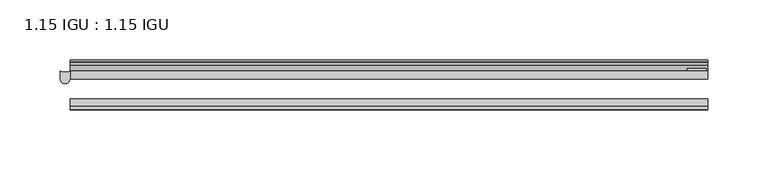
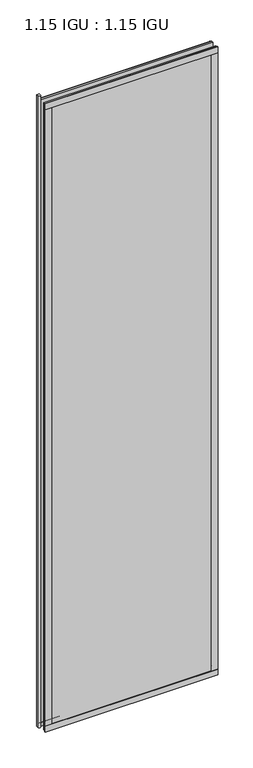
"""IFC4 building model written with IfcOpenShell, lengths in millimetres: plate geometry, 1.15 IGU : 1.15 IGU."""

import ifcopenshell
import ifcopenshell.guid

model = None  # the IFC model being written
_history = None  # IfcOwnerHistory: only IFC2X3 demands one
_inside = {}  # id of a spatial element -> (the spatial element, [elements in it])
_under = {}  # id of a project, library or spatial element -> (it, [spatial elements below it])
_declared = {}  # id of a project -> (the project, [libraries it declares])
_typed = {}  # id of a type object -> (the type object, [elements of that type])
_made_of = {}  # id of a material, layer set ... -> (it, [elements and type objects made of it])


def new_model(schema):
    """Start an empty IFC model of exactly this schema.

    Asked for "IFC4X3", IfcOpenShell would pick the latest addendum, in which some entities
    have other attributes; the version numbers below select the first issue.
    IFC2X3 requires an IfcOwnerHistory on every rooted entity: one is made here for all.
    """
    global model, _history
    if schema == "IFC4X3":
        model = ifcopenshell.file(schema_version=(4, 3, 0, 0))
    else:
        model = ifcopenshell.file(schema=schema)
    _inside.clear()
    _under.clear()
    _declared.clear()
    _typed.clear()
    _made_of.clear()
    _history = None
    if model.schema == "IFC2X3":
        org = make("IfcOrganization", Name="unknown")
        user = make(
            "IfcPersonAndOrganization",
            ThePerson=make("IfcPerson", FamilyName="unknown"),
            TheOrganization=org,
        )
        app = make(
            "IfcApplication",
            ApplicationDeveloper=org,
            Version="unknown",
            ApplicationFullName="unknown",
            ApplicationIdentifier="unknown",
        )
        _history = make(
            "IfcOwnerHistory",
            OwningUser=user,
            OwningApplication=app,
            ChangeAction="ADDED",
            CreationDate=0,
        )
    return model


def make(cls, **values):
    """One entity of the class cls with the attributes given. An attribute that is None is left unset."""
    return model.create_entity(
        cls, **{name: value for name, value in values.items() if value is not None}
    )


def rooted(cls, **values):
    """An entity with a GlobalId (a new one), such as an element, a storey or a relation."""
    return make(cls, GlobalId=ifcopenshell.guid.new(), OwnerHistory=_history, **values)


def si_unit(unit_type, name, prefix=None):
    """IfcSIUnit, for example si_unit("LENGTHUNIT", "METRE", prefix="MILLI")."""
    return make("IfcSIUnit", UnitType=unit_type, Prefix=prefix, Name=name)


def assignment(units):
    """IfcUnitAssignment: the units of a project."""
    return None if units is None else make("IfcUnitAssignment", Units=units)


def point(xyz):
    """IfcCartesianPoint."""
    return None if xyz is None else make("IfcCartesianPoint", Coordinates=xyz)


def direction(xyz):
    """IfcDirection."""
    return None if xyz is None else make("IfcDirection", DirectionRatios=xyz)


def frame(location, z_axis=None, x_axis=None):
    """IfcAxis2Placement3D, a coordinate frame: its origin and axes. An axis left out is left unset."""
    return make(
        "IfcAxis2Placement3D",
        Location=point(location),
        Axis=direction(z_axis),
        RefDirection=direction(x_axis),
    )


def frame_2d(location, x_axis=None):
    """IfcAxis2Placement2D, a coordinate frame in the plane: its origin and x axis."""
    return make(
        "IfcAxis2Placement2D", Location=point(location), RefDirection=direction(x_axis)
    )


def origin():
    """The frame at (0, 0, 0) with its axes left unset."""
    return frame((0.0, 0.0, 0.0))


def place(relative_to, where):
    """IfcLocalPlacement: puts the frame where relative to a parent placement (None: the world)."""
    return make(
        "IfcLocalPlacement", PlacementRelTo=relative_to, RelativePlacement=where
    )


def context(
    kind, dimensions, precision=None, world=None, true_north=None, identifier=None
):
    """IfcGeometricRepresentationContext, for example the 3D "Model" context."""
    return make(
        "IfcGeometricRepresentationContext",
        ContextIdentifier=identifier,
        ContextType=kind,
        CoordinateSpaceDimension=dimensions,
        Precision=precision,
        WorldCoordinateSystem=world,
        TrueNorth=true_north,
    )


def project(units=None, contexts=None):
    """IfcProject with its units and contexts."""
    return rooted(
        "IfcProject",
        Name="project",
        RepresentationContexts=contexts,
        UnitsInContext=assignment(units),
    )


def spatial(cls, under=None, at=None, **own):
    """A site, building, storey or space (cls), placed at a placement, below another one or the project."""
    s = rooted(cls, ObjectPlacement=at, **own)
    if under is not None:
        _under.setdefault(under.id(), (under, []))[1].append(s)
    return s


def polyline(points):
    """IfcPolyline through the points."""
    return make("IfcPolyline", Points=[point(p) for p in points])


def circle_curve(where, radius):
    """IfcCircle in the frame where."""
    return make("IfcCircle", Position=where, Radius=radius)


def ellipse_curve(where, semi_axis1, semi_axis2):
    """IfcEllipse in the frame where."""
    return make(
        "IfcEllipse", Position=where, SemiAxis1=semi_axis1, SemiAxis2=semi_axis2
    )


def trimmed(basis, trim1, trim2, sense, master):
    """IfcTrimmedCurve: the piece of a basis curve between two trims."""
    return make(
        "IfcTrimmedCurve",
        BasisCurve=basis,
        Trim1=trim1,
        Trim2=trim2,
        SenseAgreement=sense,
        MasterRepresentation=master,
    )


def segment(curve, same_sense, transition):
    """IfcCompositeCurveSegment."""
    return make(
        "IfcCompositeCurveSegment",
        Transition=transition,
        SameSense=same_sense,
        ParentCurve=curve,
    )


def composite_curve(segments, self_intersect=None):
    """IfcCompositeCurve: segments joined end to end."""
    return make("IfcCompositeCurve", Segments=segments, SelfIntersect=self_intersect)


def outline(outer, holes=None, kind="AREA"):
    """IfcArbitraryClosedProfileDef: a profile drawn as a closed curve; with holes, ...WithVoids."""
    if holes is None:
        return make("IfcArbitraryClosedProfileDef", ProfileType=kind, OuterCurve=outer)
    return make(
        "IfcArbitraryProfileDefWithVoids",
        ProfileType=kind,
        OuterCurve=outer,
        InnerCurves=holes,
    )


def extrude(swept, where, along, depth):
    """IfcExtrudedAreaSolid: the profile swept, set in the frame where, extruded along a direction by depth."""
    return make(
        "IfcExtrudedAreaSolid",
        SweptArea=swept,
        Position=where,
        ExtrudedDirection=direction(along),
        Depth=depth,
    )


def shape(context_of_items, identifier, shape_type, items):
    """IfcShapeRepresentation: the items that make up one representation, for example the "Body"."""
    return make(
        "IfcShapeRepresentation",
        ContextOfItems=context_of_items,
        RepresentationIdentifier=identifier,
        RepresentationType=shape_type,
        Items=items,
    )


def source(mapping_origin, context_of_items, identifier, shape_type, items):
    """IfcRepresentationMap: a shape defined once, which mapped items show again and again."""
    return make(
        "IfcRepresentationMap",
        MappingOrigin=mapping_origin,
        MappedRepresentation=shape(context_of_items, identifier, shape_type, items),
    )


def transform(
    local_origin,
    x_axis=None,
    y_axis=None,
    z_axis=None,
    scale=None,
    scale2=None,
    scale3=None,
    uniform=True,
):
    """IfcCartesianTransformationOperator3D, or its non-uniform kind. x_axis, y_axis, z_axis: its Axis1, 2, 3."""
    if uniform:
        return make(
            "IfcCartesianTransformationOperator3D",
            Axis1=direction(x_axis),
            Axis2=direction(y_axis),
            LocalOrigin=point(local_origin),
            Scale=scale,
            Axis3=direction(z_axis),
        )
    return make(
        "IfcCartesianTransformationOperator3DnonUniform",
        Axis1=direction(x_axis),
        Axis2=direction(y_axis),
        LocalOrigin=point(local_origin),
        Scale=scale,
        Axis3=direction(z_axis),
        Scale2=scale2,
        Scale3=scale3,
    )


def mapped(mapping_source, mapping_target):
    """IfcMappedItem: shows the shape of a source again, moved by a transform."""
    return make(
        "IfcMappedItem", MappingSource=mapping_source, MappingTarget=mapping_target
    )


def made_of(thing, what):
    """Note that an element or type object is made of a material, layer set ...; save() writes the relation."""
    if what is not None:
        _made_of.setdefault(what.id(), (what, []))[1].append(thing)
    return thing


def element(
    cls,
    number,
    at=None,
    inside=None,
    cuts=None,
    type_object=None,
    material=None,
    context=None,
    identifier="Body",
    shape_type=None,
    held_by="IfcProductDefinitionShape",
    body=None,
    shapes=None,
    **own,
):
    """One element of the class cls, such as IfcWall. Its Tag is "e" and its number.

    at: its placement. inside: the storey or other place that contains it. cuts: it is an
    opening in that element (IfcRelVoidsElement). A single representation is given by context,
    identifier, shape_type and body (its items); several are given by shapes. held_by: the class
    of the entity that holds the representations. save() writes the other relations.
    """
    e = rooted(cls, Tag="e%d" % number, ObjectPlacement=at, **own)
    if body is not None:
        shapes = [shape(context, identifier, shape_type, body)]
    if shapes is not None:
        e.Representation = make(held_by, Representations=shapes)
    if inside is not None:
        _inside.setdefault(inside.id(), (inside, []))[1].append(e)
    if cuts is not None:
        rooted(
            "IfcRelVoidsElement", RelatingBuildingElement=cuts, RelatedOpeningElement=e
        )
    if type_object is not None:
        _typed.setdefault(type_object.id(), (type_object, []))[1].append(e)
    return made_of(e, material)


def aggregate(whole, parts):
    """IfcRelAggregates: a whole, such as a stair, and the parts it consists of."""
    return rooted("IfcRelAggregates", RelatingObject=whole, RelatedObjects=parts)


def save(model, path):
    """Write the relations noted so far, then the file.

    IfcRelAggregates (storeys below a building ...), IfcRelContainedInSpatialStructure (elements
    in a storey), IfcRelDefinesByType, IfcRelAssociatesMaterial and IfcRelDeclares: one each for
    every whole, place, type object, material and project.
    """
    for whole, parts in _under.values():
        aggregate(whole, parts)
    for where, things in _inside.values():
        rooted(
            "IfcRelContainedInSpatialStructure",
            RelatedElements=things,
            RelatingStructure=where,
        )
    for kind, things in _typed.values():
        rooted("IfcRelDefinesByType", RelatedObjects=things, RelatingType=kind)
    for what, things in _made_of.values():
        rooted("IfcRelAssociatesMaterial", RelatedObjects=things, RelatingMaterial=what)
    for by, libraries in _declared.values():
        rooted("IfcRelDeclares", RelatingContext=by, RelatedDefinitions=libraries)
    model.write(path)


def plane_surface(at):
    """IfcPlane: the flat surface through the origin of the frame at, square to its z axis."""
    return make("IfcPlane", Position=at)


def revolved_surface(curve, axis_point, axis_direction):
    """IfcSurfaceOfRevolution: the curve turned about the line through axis_point along axis_direction."""
    return make(
        "IfcSurfaceOfRevolution",
        SweptCurve=make("IfcArbitraryOpenProfileDef", ProfileType="CURVE", Curve=curve),
        AxisPosition=make("IfcAxis1Placement", Location=point(axis_point), Axis=direction(axis_direction)),
    )


def extruded_surface(curve, direction_of_extrusion, depth):
    """IfcSurfaceOfLinearExtrusion: the curve pushed along a direction by depth."""
    return make(
        "IfcSurfaceOfLinearExtrusion",
        SweptCurve=make("IfcArbitraryOpenProfileDef", ProfileType="CURVE", Curve=curve),
        ExtrudedDirection=direction(direction_of_extrusion),
        Depth=depth,
    )


def advanced_brep(points, edges, surfaces, faces):
    """IfcAdvancedBrep: a solid bounded by faces that lie on surfaces and meet in shared edges.

    An edge is (start, end): straight between two places in points (the first is 0);
    or (start, end, curve); or (start, end, curve, False) where it runs against its curve.
    A face is (place in surfaces, loops), or (place, loops, False) where it looks against
    its surface's normal. A loop lists edges by number (the first is 1), with a minus sign
    where the edge is run from its end to its start. The first loop is the outer one.
    """
    corners = [point(p) for p in points]
    vertices = [make("IfcVertexPoint", VertexGeometry=c) for c in corners]
    made = []
    for start, end, *more in edges:
        made.append(
            make(
                "IfcEdgeCurve",
                EdgeStart=vertices[start],
                EdgeEnd=vertices[end],
                EdgeGeometry=more[0] if more else make("IfcPolyline", Points=[corners[start], corners[end]]),
                SameSense=more[1] if len(more) > 1 else True,
            )
        )
    hull = []
    for where, loops, *sense in faces:
        bounds = []
        for j, loop in enumerate(loops):
            ring = [make("IfcOrientedEdge", EdgeElement=made[abs(k) - 1], Orientation=k > 0) for k in loop]
            bounds.append(
                make(
                    "IfcFaceOuterBound" if j == 0 else "IfcFaceBound",
                    Bound=make("IfcEdgeLoop", EdgeList=ring),
                    Orientation=True,
                )
            )
        hull.append(make("IfcAdvancedFace", Bounds=bounds, FaceSurface=surfaces[where], SameSense=sense[0] if sense else True))
    return make("IfcAdvancedBrep", Outer=make("IfcClosedShell", CfsFaces=hull))


def plate_1_15_igu_1_15_igu_54924a7c(model_context):
    return source(origin(), model_context, "Body", "SolidModel", [
        extrude(outline(polyline([(265.11885, 0.0), (265.11885, -6.2992), (-265.11885, -6.2992), (-265.11885, 0.0), (265.11885, 0.0)])), frame((0.0, 0.0, -15.875), z_axis=(0.0, 0.0, 1.0), x_axis=(1.0, 0.0, 0.0)), (0.0, 0.0, 1.0), 2033.5830337),
        extrude(outline(polyline([(-265.11885, -23.1648), (265.11885, -23.1648), (265.11885, -29.464), (-265.11885, -29.464), (-265.11885, -23.1648)])), frame((0.0, 0.0, -15.875), z_axis=(0.0, 0.0, 1.0), x_axis=(1.0, 0.0, 0.0)), (0.0, 0.0, 1.0), 2033.5830337),
        advanced_brep(
        [(-273.3683213, -0.0025551, -15.875), (-265.11885, 0.0, -15.875), (-265.11885, -6.2992, -15.875), (-273.3683213, -6.2992, -15.875), (-273.3683213, -0.0025551, 2032.7956337), (-273.3683213, -6.2992, 2032.7956337), (-265.1243787, -6.2992, 2032.7956337), (-265.11885, 0.0, 2032.7956337)],
        [
            (0, 1, circle_curve(frame((-269.24635, 8.9239208, -15.875), z_axis=(0.0, 0.0, 1.0), x_axis=(1.0, 0.0, 0.0)), 9.8322235)),
            (1, 2),
            (2, 3, ellipse_curve(frame((-269.24635, -6.2992, -15.875), z_axis=(0.0, 0.0, -1.0), x_axis=(1.0, 0.0, 0.0)), 4.1219713, 4.1275)),
            (3, 0),
            (4, 5),
            (5, 6, ellipse_curve(frame((-269.24635, -6.2992, 2032.7956337), z_axis=(0.0, 0.0, 1.0), x_axis=(1.0, 0.0, 0.0)), 4.1219713, 4.1275)),
            (6, 7),
            (7, 4, circle_curve(frame((-269.24635, 8.9239208, 2032.7956337), z_axis=(0.0, 0.0, -1.0), x_axis=(1.0, 0.0, 0.0)), 9.8322235)),
            (1, 7),
            (6, 2),
            (3, 5),
            (4, 0),
        ],
        [
            plane_surface(frame((-277.81885, 0.0, -15.875), z_axis=(0.0, 0.0, -1.0), x_axis=(0.0, 1.0, 0.0))),
            plane_surface(frame((-277.81885, 0.0, 2032.7956337), z_axis=(0.0, 0.0, 1.0), x_axis=(0.0, 1.0, 0.0))),
            plane_surface(frame((-265.11885, 0.0, -15.875), z_axis=(1.0, 0.0, 0.0), x_axis=(0.0, 0.0, 1.0))),
            plane_surface(frame((-273.3683213, -6.2992, -15.875), z_axis=(-1.0, 0.0, 0.0), x_axis=(0.0, 0.0, 1.0))),
            revolved_surface(polyline([(-259.4141265, 8.9239208, 2032.7956337), (-259.4141265, 8.9239208, -15.875)]), (-269.24635, 8.9239208, -15.875), (0.0, 0.0, 1.0)),
            extruded_surface(trimmed(ellipse_curve(frame((-269.24635, -6.2992, 2032.7956337), z_axis=(0.0, 0.0, -1.0), x_axis=(1.0, 0.0, 0.0)), 4.1219713, 4.1275), [point((-265.1243787, -6.2992, 2032.7956337))], [point((-273.3683213, -6.2992, 2032.7956337))], True, "CARTESIAN"), (0.0, 0.0, -2048.6706337), 2048.6706337),
        ],
        [
            (0, [[1, 2, 3, 4]]),
            (1, [[5, 6, 7, 8]]),
            (2, [[-2, 9, -7, 10]]),
            (3, [[-4, 11, -5, 12]]),
            (4, [[-1, -12, -8, -9]]),
            (5, [[-3, -10, -6, -11]]),
        ],
    ),
        extrude(outline(polyline([(-265.11885, -31.75), (-265.11885, -29.464), (265.11885, -29.464), (265.11885, -31.75), (-265.11885, -31.75)])), frame((0.0, 0.0, -19.05), z_axis=(0.0, 0.0, 1.0), x_axis=(1.0, 0.0, 0.0)), (0.0, 0.0, 1.0), 19.05),
        extrude(outline(composite_curve([segment(trimmed(circle_curve(frame_2d((13.6593785, 32.4202472)), 31.3046461), [point((0.0, 4.2528503))], [point((9.3980339, 1.406995))], True, "CARTESIAN"), True, "CONTINUOUS"), segment(polyline([(9.3980339, 1.406995), (9.3980339, 0.0254), (6.35, 0.0254), (6.35, -5.1625788), (7.7309478, -5.3970663), (6.35, -8.0073788), (6.35, -11.8471127)]), True, "CONTINUOUS"), segment(trimmed(circle_curve(frame_2d((5.334, -11.8471127)), 1.016), [point((6.35, -11.8471127))], [point((4.6284878, -12.5782136))], False, "CARTESIAN"), True, "CONTINUOUS"), segment(trimmed(circle_curve(frame_2d((-23.3689302, -41.5910901)), 40.3187601), [point((4.6284878, -12.5782136))], [point((0.0, -8.735413))], True, "CARTESIAN"), True, "CONTINUOUS"), segment(polyline([(0.0, -8.735413), (0.0, 4.2528503)]), True, "CONTINUOUS")], self_intersect=False)), frame((-265.11885, 0.0, 0.0), z_axis=(1.0, 0.0, 0.0), x_axis=(0.0, 1.0, 0.0)), (0.0, 0.0, 1.0), 530.2377),
        extrude(outline(composite_curve([segment(trimmed(circle_curve(frame_2d((-23.3689302, 2041.8747237)), 40.3187601), [point((0.0, 2009.0190467))], [point((4.9746073, 2013.1998864))], True, "CARTESIAN"), True, "CONTINUOUS"), segment(trimmed(circle_curve(frame_2d((5.8674, 2012.2966582)), 1.27), [point((4.9746073, 2013.1998864))], [point((7.1374, 2012.2966582))], False, "CARTESIAN"), True, "CONTINUOUS"), segment(polyline([(7.1374, 2012.2966582), (7.1374, 2007.8958505), (7.7309478, 2005.6806999), (6.35, 2005.4462125), (6.35, 2000.2582337), (9.3980339, 2000.2582337), (9.3980339, 1998.8766387)]), True, "CONTINUOUS"), segment(trimmed(circle_curve(frame_2d((13.6593785, 1967.8633864)), 31.3046461), [point((9.3980339, 1998.8766387))], [point((0.0, 1996.0307834))], True, "CARTESIAN"), True, "CONTINUOUS"), segment(polyline([(0.0, 1996.0307834), (0.0, 2009.0190467)]), True, "CONTINUOUS")], self_intersect=False)), frame((-265.11885, 0.0, 0.0), z_axis=(1.0, 0.0, 0.0), x_axis=(0.0, 1.0, 0.0)), (0.0, 0.0, 1.0), 530.2377),
        extrude(outline(polyline([(-265.11885, -31.75), (-265.11885, -29.464), (265.11885, -29.464), (265.11885, -31.75), (-265.11885, -31.75)])), frame((0.0, 0.0, 2000.2582337), z_axis=(0.0, 0.0, 1.0), x_axis=(1.0, 0.0, 0.0)), (0.0, 0.0, 1.0), 19.05),
        extrude(outline(polyline([(246.06885, -29.464), (265.11885, -29.464), (265.11885, -31.75), (246.06885, -31.75), (246.06885, -29.464)])), frame((0.0, 0.0, -15.875), z_axis=(0.0, 0.0, 1.0), x_axis=(1.0, 0.0, 0.0)), (0.0, 0.0, 1.0), 2033.5830337),
        extrude(outline(polyline([(263.91235, 2.2860088), (263.91235, 0.0021347), (248.03735, 0.0021347), (248.03735, 2.2860088), (263.91235, 2.2860088)])), frame((0.0, 0.0, -15.875), z_axis=(0.0, 0.0, 1.0), x_axis=(1.0, 0.0, 0.0)), (0.0, 0.0, 1.0), 2033.5830337),
        extrude(outline(polyline([(-265.11885, -31.75), (-265.11885, -29.464), (-246.06885, -29.464), (-246.06885, -31.75), (-265.11885, -31.75)])), frame((0.0, 0.0, -15.875), z_axis=(0.0, 0.0, 1.0), x_axis=(1.0, 0.0, 0.0)), (0.0, 0.0, 1.0), 2033.5830337),
    ])


if __name__ == "__main__":
    model = new_model("IFC4")
    model_context = context("Model", 3, world=origin())
    ifc_project = project(units=[si_unit("LENGTHUNIT", "METRE", prefix="MILLI")], contexts=[model_context])
    site = spatial("IfcSite", under=ifc_project)
    building = spatial("IfcBuilding", under=site)
    placement = place(None, origin())
    plate_1_15_igu_1_15_igu_shape = plate_1_15_igu_1_15_igu_54924a7c(model_context)
    element("IfcPlate", 1, ObjectType="1.15 IGU : 1.15 IGU", at=placement, inside=building, context=model_context, shape_type="MappedRepresentation", body=[
        mapped(plate_1_15_igu_1_15_igu_shape, transform((0.0, 0.0, 0.0), x_axis=(1.0, 0.0, 0.0), y_axis=(0.0, 1.0, 0.0), z_axis=(0.0, 0.0, 1.0))),
    ])
    save(model, "model.ifc")
